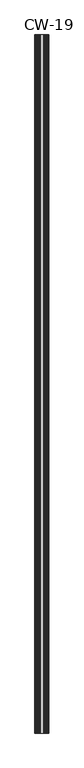
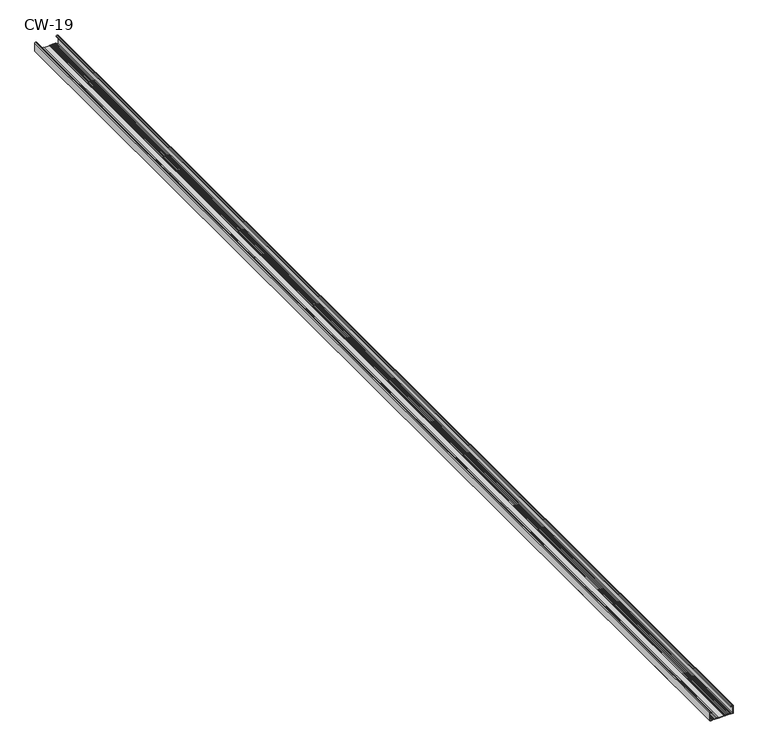
"""IFC4 building model written with IfcOpenShell, lengths in millimetres: proxy geometry, CW-19."""

from ifc_helpers import new_model, si_unit, point, frame, frame_2d, origin, place, context, project, spatial, polyline, circle_curve, trimmed, segment, composite_curve, outline, extrude, source, transform, mapped, element, save


def cw_19_49310fb5(model_context):
    return source(origin(), model_context, "Body", "SweptSolid", [
        extrude(outline(composite_curve([segment(trimmed(circle_curve(frame_2d((-1.0, -24.0)), 0.5), [point((-1.0, -24.5))], [point((-0.5, -24.0))], True, "CARTESIAN"), True, "CONTINUOUS"), segment(polyline([(-0.5, -24.0), (-0.5, -21.6466568), (-3.1346768, -21.2973409), (-2.9940841, -20.5), (-0.4479055, -21.1481292)]), True, "CONTINUOUS"), segment(trimmed(circle_curve(frame_2d((-0.7947911, -21.8690108)), 0.8), [point((-0.4479055, -21.1481292))], [point((0.0, -21.7778679))], False, "CARTESIAN"), True, "CONTINUOUS"), segment(polyline([(0.0, -21.7778679), (0.0, -24.0)]), True, "CONTINUOUS"), segment(trimmed(circle_curve(frame_2d((-1.0, -24.0)), 1.0), [point((0.0, -24.0))], [point((-1.0, -25.0))], False, "CARTESIAN"), True, "CONTINUOUS"), segment(polyline([(-1.0, -25.0), (-19.0, -25.0), (-19.0, -20.1), (-17.7, -20.1), (-17.7, -19.2), (-18.5, -19.2), (-18.5, -17.0), (-17.7, -17.0), (-17.7, -16.2), (-18.5, -16.2), (-18.5, -14.0), (-17.7, -14.0), (-17.7, -13.1), (-18.5, -13.1), (-18.5, -10.9), (-17.7, -10.9), (-17.7, -10.1), (-18.5, -10.1), (-18.5, -7.9), (-17.7, -7.9), (-17.7, -7.0), (-19.0, -7.0), (-19.0, 7.0), (-17.7, 7.0), (-17.7, 7.9), (-18.5, 7.9), (-18.5, 10.1), (-17.7, 10.1), (-17.7, 10.9), (-18.5, 10.9), (-18.5, 13.1), (-17.7, 13.1), (-17.7, 14.0), (-18.5, 14.0), (-18.5, 16.2), (-17.7, 16.2), (-17.7, 17.0), (-18.5, 17.0), (-18.5, 19.2), (-17.7, 19.2), (-17.7, 20.1), (-19.0, 20.1), (-19.0, 25.0), (-1.0, 25.0)]), True, "CONTINUOUS"), segment(trimmed(circle_curve(frame_2d((-1.0, 24.0)), 1.0), [point((-1.0, 25.0))], [point((0.0, 24.0))], False, "CARTESIAN"), True, "CONTINUOUS"), segment(polyline([(0.0, 24.0), (0.0, 21.7778679)]), True, "CONTINUOUS"), segment(trimmed(circle_curve(frame_2d((-0.7947911, 21.8690108)), 0.8), [point((0.0, 21.7778679))], [point((-0.4479055, 21.1481292))], False, "CARTESIAN"), True, "CONTINUOUS"), segment(polyline([(-0.4479055, 21.1481292), (-2.9940841, 20.5), (-3.1346768, 21.2973409), (-0.5, 21.6466568), (-0.5, 24.0)]), True, "CONTINUOUS"), segment(trimmed(circle_curve(frame_2d((-1.0, 24.0)), 0.5), [point((-0.5, 24.0))], [point((-1.0, 24.5))], True, "CARTESIAN"), True, "CONTINUOUS"), segment(polyline([(-1.0, 24.5), (-18.5, 24.5), (-18.5, 20.6), (-17.2, 20.6), (-17.2, 18.7), (-18.0, 18.7), (-18.0, 17.5), (-17.2, 17.5), (-17.2, 15.7), (-18.0, 15.7), (-18.0, 14.5), (-17.2, 14.5), (-17.2, 12.6), (-18.0, 12.6), (-18.0, 11.4), (-17.2, 11.4), (-17.2, 9.6), (-18.0, 9.6), (-18.0, 8.4), (-17.2, 8.4), (-17.2, 6.5), (-18.5, 6.5), (-18.5, -6.5), (-17.2, -6.5), (-17.2, -8.4), (-18.0, -8.4), (-18.0, -9.6), (-17.2, -9.6), (-17.2, -11.4), (-18.0, -11.4), (-18.0, -12.6), (-17.2, -12.6), (-17.2, -14.5), (-18.0, -14.5), (-18.0, -15.7), (-17.2, -15.7), (-17.2, -17.5), (-18.0, -17.5), (-18.0, -18.7), (-17.2, -18.7), (-17.2, -20.6), (-18.5, -20.6), (-18.5, -24.5), (-1.0, -24.5)]), True, "CONTINUOUS")], self_intersect=False)), frame((0.0, 0.0, 0.0), z_axis=(0.0, 1.0, 0.0), x_axis=(0.0, 0.0, 1.0)), (0.0, 0.0, 1.0), 2500.0),
    ])


if __name__ == "__main__":
    model = new_model("IFC4")
    model_context = context("Model", 3, world=origin())
    ifc_project = project(units=[si_unit("LENGTHUNIT", "METRE", prefix="MILLI")], contexts=[model_context])
    site = spatial("IfcSite", under=ifc_project)
    building = spatial("IfcBuilding", under=site)
    placement = place(None, origin())
    cw_19_shape = cw_19_49310fb5(model_context)
    element("IfcBuildingElementProxy", 1, Name="CW-19", ObjectType="CW-19", at=placement, inside=building, context=model_context, shape_type="MappedRepresentation", body=[
        mapped(cw_19_shape, transform((0.0, 0.0, 0.0), x_axis=(1.0, 0.0, 0.0), y_axis=(0.0, 1.0, 0.0), z_axis=(0.0, 0.0, 1.0))),
    ])
    save(model, "model.ifc")
